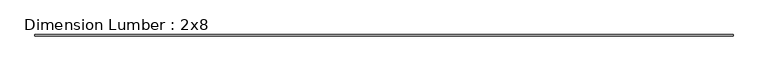
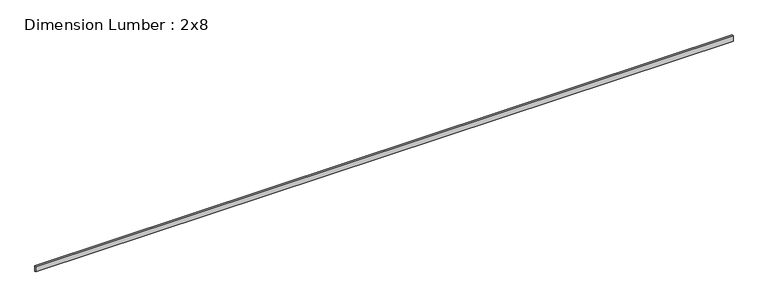
"""IFC4 building model written with IfcOpenShell, lengths in millimetres: beam geometry, Dimension Lumber : 2x8."""

from ifc_helpers import new_model, si_unit, frame, origin, place, context, project, spatial, polyline, outline, extrude, source, transform, mapped, element, save


def dimension_lumber_2x8_2548c991(model_context):
    return source(origin(), model_context, "Body", "SweptSolid", [
        extrude(outline(polyline([(11199.7295807, 19.05), (11199.7295807, -19.05), (-11199.7295807, -19.05), (-11199.7295807, 19.05), (11199.7295807, 19.05)])), frame((0.0, 0.0, -92.075), z_axis=(0.0, 0.0, 1.0), x_axis=(1.0, 0.0, 0.0)), (0.0, 0.0, 1.0), 184.15),
    ])


if __name__ == "__main__":
    model = new_model("IFC4")
    model_context = context("Model", 3, world=origin())
    ifc_project = project(units=[si_unit("LENGTHUNIT", "METRE", prefix="MILLI")], contexts=[model_context])
    site = spatial("IfcSite", under=ifc_project)
    building = spatial("IfcBuilding", under=site)
    placement = place(None, origin())
    dimension_lumber_2x8_shape = dimension_lumber_2x8_2548c991(model_context)
    element("IfcBeam", 1, ObjectType="Dimension Lumber : 2x8", at=placement, inside=building, context=model_context, shape_type="MappedRepresentation", body=[
        mapped(dimension_lumber_2x8_shape, transform((0.0, 0.0, 0.0), x_axis=(1.0, 0.0, 0.0), y_axis=(0.0, 1.0, 0.0), z_axis=(0.0, 0.0, 1.0))),
    ])
    save(model, "model.ifc")
